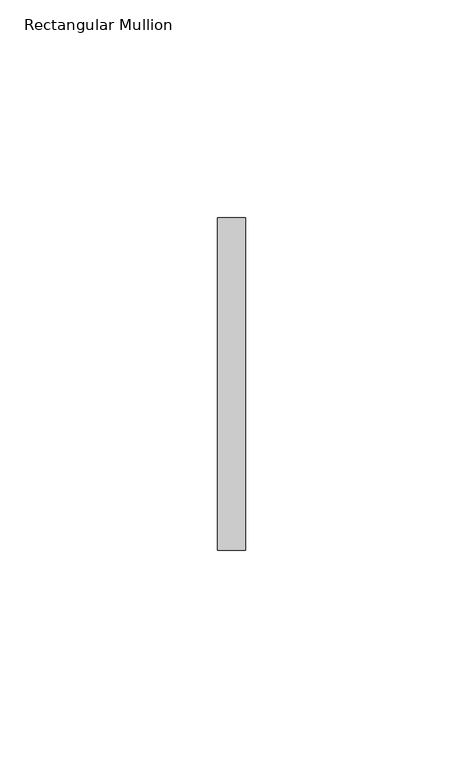
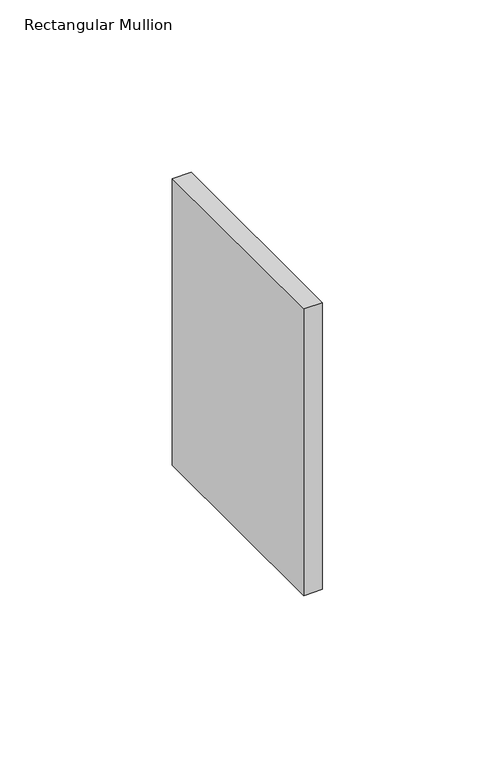
"""IFC4 building model written with IfcOpenShell, lengths in millimetres: member geometry, Rectangular Mullion."""

from ifc_helpers import new_model, si_unit, frame, origin, place, context, project, spatial, polyline, outline, extrude, source, transform, mapped, element, save


def rectangular_mullion_adebfff8(model_context):
    return source(origin(), model_context, "Body", "SweptSolid", [
        extrude(outline(polyline([(0.0, 38.1), (0.0, -38.1), (-6.35, -38.1), (-6.35, 38.1), (0.0, 38.1)])), frame((0.0, 0.0, -101.6), z_axis=(0.0, 0.0, 1.0), x_axis=(1.0, 0.0, 0.0)), (0.0, 0.0, 1.0), 101.6),
    ])


if __name__ == "__main__":
    model = new_model("IFC4")
    model_context = context("Model", 3, world=origin())
    ifc_project = project(units=[si_unit("LENGTHUNIT", "METRE", prefix="MILLI")], contexts=[model_context])
    site = spatial("IfcSite", under=ifc_project)
    building = spatial("IfcBuilding", under=site)
    placement = place(None, origin())
    rectangular_mullion_shape = rectangular_mullion_adebfff8(model_context)
    element("IfcMember", 1, ObjectType="Rectangular Mullion", at=placement, inside=building, context=model_context, shape_type="MappedRepresentation", body=[
        mapped(rectangular_mullion_shape, transform((0.0, 0.0, 0.0), x_axis=(1.0, 0.0, 0.0), y_axis=(0.0, 1.0, 0.0), z_axis=(0.0, 0.0, 1.0))),
    ])
    save(model, "model.ifc")
